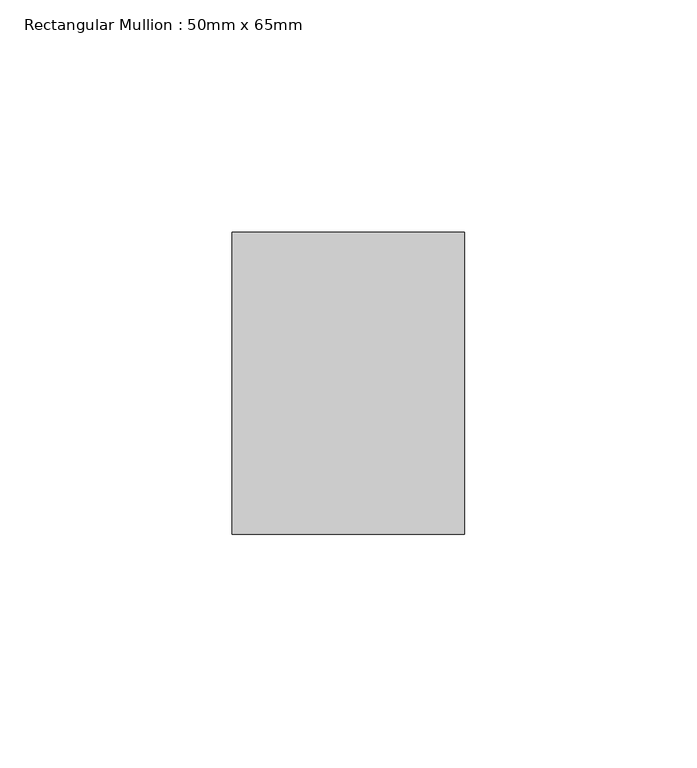
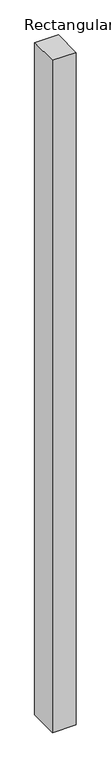
"""IFC4 building model written with IfcOpenShell, lengths in millimetres: member geometry, Rectangular Mullion : 50mm x 65mm."""

from ifc_helpers import new_model, si_unit, origin, place, context, project, spatial, faceted_brep, source, transform, mapped, element, save


def rectangular_mullion_50mm_x_65mm_1325c5a2(model_context):
    return source(origin(), model_context, "Body", "Brep", [
        faceted_brep([(-25.0, 32.5, -0.0443361), (25.0, 32.5, -0.0443357), (25.0, 32.5, -1499.9018963), (-25.0, 32.5, -1499.9018957), (-25.0, -32.5, 0.0443357), (-25.0, -32.5, -1500.098072), (25.0, -32.5, 0.0443361), (25.0, -32.5, -1500.0980727)], [[[0, 1, 2, 3]], [[4, 0, 3, 5]], [[6, 4, 5, 7]], [[1, 6, 7, 2]], [[1, 0, 4, 6]], [[2, 7, 5, 3]]]),
    ])


if __name__ == "__main__":
    model = new_model("IFC4")
    model_context = context("Model", 3, world=origin())
    ifc_project = project(units=[si_unit("LENGTHUNIT", "METRE", prefix="MILLI")], contexts=[model_context])
    site = spatial("IfcSite", under=ifc_project)
    building = spatial("IfcBuilding", under=site)
    placement = place(None, origin())
    rectangular_mullion_50mm_x_65mm_shape = rectangular_mullion_50mm_x_65mm_1325c5a2(model_context)
    element("IfcMember", 1, ObjectType="Rectangular Mullion : 50mm x 65mm", at=placement, inside=building, context=model_context, shape_type="MappedRepresentation", body=[
        mapped(rectangular_mullion_50mm_x_65mm_shape, transform((0.0, 0.0, 0.0), x_axis=(1.0, 0.0, 0.0), y_axis=(0.0, 1.0, 0.0), z_axis=(0.0, 0.0, 1.0))),
    ])
    save(model, "model.ifc")
